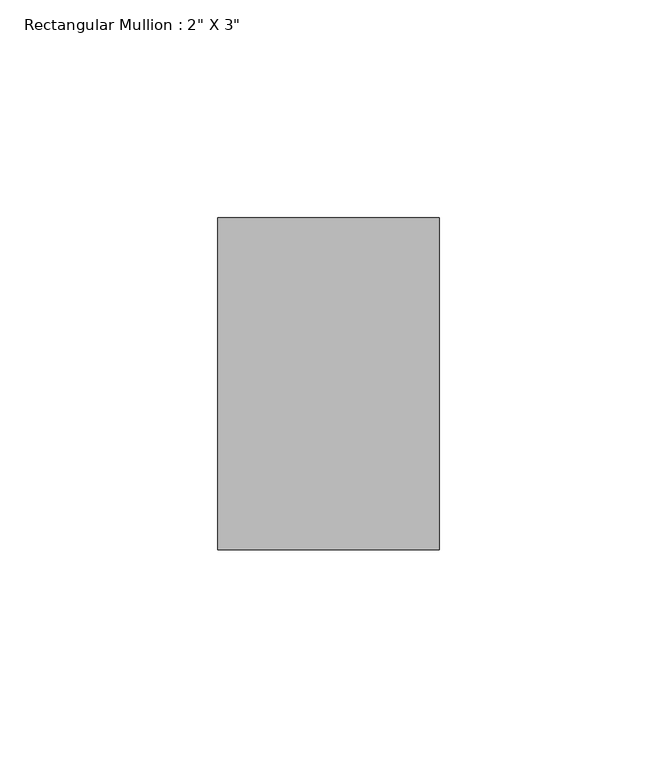
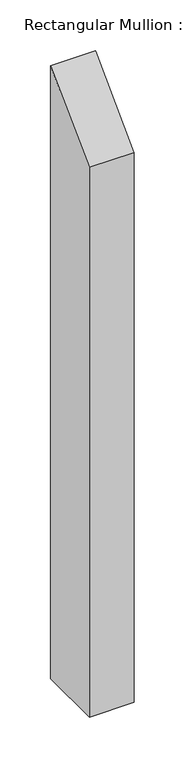
"""IFC4 building model written with IfcOpenShell, lengths in millimetres: member geometry."""

import ifcopenshell
import ifcopenshell.guid

model = None  # the IFC model being written
_history = None  # IfcOwnerHistory: only IFC2X3 demands one
_inside = {}  # id of a spatial element -> (the spatial element, [elements in it])
_under = {}  # id of a project, library or spatial element -> (it, [spatial elements below it])
_declared = {}  # id of a project -> (the project, [libraries it declares])
_typed = {}  # id of a type object -> (the type object, [elements of that type])
_made_of = {}  # id of a material, layer set ... -> (it, [elements and type objects made of it])


def new_model(schema):
    """Start an empty IFC model of exactly this schema.

    Asked for "IFC4X3", IfcOpenShell would pick the latest addendum, in which some entities
    have other attributes; the version numbers below select the first issue.
    IFC2X3 requires an IfcOwnerHistory on every rooted entity: one is made here for all.
    """
    global model, _history
    if schema == "IFC4X3":
        model = ifcopenshell.file(schema_version=(4, 3, 0, 0))
    else:
        model = ifcopenshell.file(schema=schema)
    _inside.clear()
    _under.clear()
    _declared.clear()
    _typed.clear()
    _made_of.clear()
    _history = None
    if model.schema == "IFC2X3":
        org = make("IfcOrganization", Name="unknown")
        user = make(
            "IfcPersonAndOrganization",
            ThePerson=make("IfcPerson", FamilyName="unknown"),
            TheOrganization=org,
        )
        app = make(
            "IfcApplication",
            ApplicationDeveloper=org,
            Version="unknown",
            ApplicationFullName="unknown",
            ApplicationIdentifier="unknown",
        )
        _history = make(
            "IfcOwnerHistory",
            OwningUser=user,
            OwningApplication=app,
            ChangeAction="ADDED",
            CreationDate=0,
        )
    return model


def make(cls, **values):
    """One entity of the class cls with the attributes given. An attribute that is None is left unset."""
    return model.create_entity(
        cls, **{name: value for name, value in values.items() if value is not None}
    )


def rooted(cls, **values):
    """An entity with a GlobalId (a new one), such as an element, a storey or a relation."""
    return make(cls, GlobalId=ifcopenshell.guid.new(), OwnerHistory=_history, **values)


def si_unit(unit_type, name, prefix=None):
    """IfcSIUnit, for example si_unit("LENGTHUNIT", "METRE", prefix="MILLI")."""
    return make("IfcSIUnit", UnitType=unit_type, Prefix=prefix, Name=name)


def assignment(units):
    """IfcUnitAssignment: the units of a project."""
    return None if units is None else make("IfcUnitAssignment", Units=units)


def point(xyz):
    """IfcCartesianPoint."""
    return None if xyz is None else make("IfcCartesianPoint", Coordinates=xyz)


def direction(xyz):
    """IfcDirection."""
    return None if xyz is None else make("IfcDirection", DirectionRatios=xyz)


def frame(location, z_axis=None, x_axis=None):
    """IfcAxis2Placement3D, a coordinate frame: its origin and axes. An axis left out is left unset."""
    return make(
        "IfcAxis2Placement3D",
        Location=point(location),
        Axis=direction(z_axis),
        RefDirection=direction(x_axis),
    )


def origin():
    """The frame at (0, 0, 0) with its axes left unset."""
    return frame((0.0, 0.0, 0.0))


def place(relative_to, where):
    """IfcLocalPlacement: puts the frame where relative to a parent placement (None: the world)."""
    return make(
        "IfcLocalPlacement", PlacementRelTo=relative_to, RelativePlacement=where
    )


def context(
    kind, dimensions, precision=None, world=None, true_north=None, identifier=None
):
    """IfcGeometricRepresentationContext, for example the 3D "Model" context."""
    return make(
        "IfcGeometricRepresentationContext",
        ContextIdentifier=identifier,
        ContextType=kind,
        CoordinateSpaceDimension=dimensions,
        Precision=precision,
        WorldCoordinateSystem=world,
        TrueNorth=true_north,
    )


def project(units=None, contexts=None):
    """IfcProject with its units and contexts."""
    return rooted(
        "IfcProject",
        Name="project",
        RepresentationContexts=contexts,
        UnitsInContext=assignment(units),
    )


def spatial(cls, under=None, at=None, **own):
    """A site, building, storey or space (cls), placed at a placement, below another one or the project."""
    s = rooted(cls, ObjectPlacement=at, **own)
    if under is not None:
        _under.setdefault(under.id(), (under, []))[1].append(s)
    return s


def polyline(points):
    """IfcPolyline through the points."""
    return make("IfcPolyline", Points=[point(p) for p in points])


def outline(outer, holes=None, kind="AREA"):
    """IfcArbitraryClosedProfileDef: a profile drawn as a closed curve; with holes, ...WithVoids."""
    if holes is None:
        return make("IfcArbitraryClosedProfileDef", ProfileType=kind, OuterCurve=outer)
    return make(
        "IfcArbitraryProfileDefWithVoids",
        ProfileType=kind,
        OuterCurve=outer,
        InnerCurves=holes,
    )


def extrude(swept, where, along, depth):
    """IfcExtrudedAreaSolid: the profile swept, set in the frame where, extruded along a direction by depth."""
    return make(
        "IfcExtrudedAreaSolid",
        SweptArea=swept,
        Position=where,
        ExtrudedDirection=direction(along),
        Depth=depth,
    )


def shape(context_of_items, identifier, shape_type, items):
    """IfcShapeRepresentation: the items that make up one representation, for example the "Body"."""
    return make(
        "IfcShapeRepresentation",
        ContextOfItems=context_of_items,
        RepresentationIdentifier=identifier,
        RepresentationType=shape_type,
        Items=items,
    )


def source(mapping_origin, context_of_items, identifier, shape_type, items):
    """IfcRepresentationMap: a shape defined once, which mapped items show again and again."""
    return make(
        "IfcRepresentationMap",
        MappingOrigin=mapping_origin,
        MappedRepresentation=shape(context_of_items, identifier, shape_type, items),
    )


def transform(
    local_origin,
    x_axis=None,
    y_axis=None,
    z_axis=None,
    scale=None,
    scale2=None,
    scale3=None,
    uniform=True,
):
    """IfcCartesianTransformationOperator3D, or its non-uniform kind. x_axis, y_axis, z_axis: its Axis1, 2, 3."""
    if uniform:
        return make(
            "IfcCartesianTransformationOperator3D",
            Axis1=direction(x_axis),
            Axis2=direction(y_axis),
            LocalOrigin=point(local_origin),
            Scale=scale,
            Axis3=direction(z_axis),
        )
    return make(
        "IfcCartesianTransformationOperator3DnonUniform",
        Axis1=direction(x_axis),
        Axis2=direction(y_axis),
        LocalOrigin=point(local_origin),
        Scale=scale,
        Axis3=direction(z_axis),
        Scale2=scale2,
        Scale3=scale3,
    )


def mapped(mapping_source, mapping_target):
    """IfcMappedItem: shows the shape of a source again, moved by a transform."""
    return make(
        "IfcMappedItem", MappingSource=mapping_source, MappingTarget=mapping_target
    )


def made_of(thing, what):
    """Note that an element or type object is made of a material, layer set ...; save() writes the relation."""
    if what is not None:
        _made_of.setdefault(what.id(), (what, []))[1].append(thing)
    return thing


def element(
    cls,
    number,
    at=None,
    inside=None,
    cuts=None,
    type_object=None,
    material=None,
    context=None,
    identifier="Body",
    shape_type=None,
    held_by="IfcProductDefinitionShape",
    body=None,
    shapes=None,
    **own,
):
    """One element of the class cls, such as IfcWall. Its Tag is "e" and its number.

    at: its placement. inside: the storey or other place that contains it. cuts: it is an
    opening in that element (IfcRelVoidsElement). A single representation is given by context,
    identifier, shape_type and body (its items); several are given by shapes. held_by: the class
    of the entity that holds the representations. save() writes the other relations.
    """
    e = rooted(cls, Tag="e%d" % number, ObjectPlacement=at, **own)
    if body is not None:
        shapes = [shape(context, identifier, shape_type, body)]
    if shapes is not None:
        e.Representation = make(held_by, Representations=shapes)
    if inside is not None:
        _inside.setdefault(inside.id(), (inside, []))[1].append(e)
    if cuts is not None:
        rooted(
            "IfcRelVoidsElement", RelatingBuildingElement=cuts, RelatedOpeningElement=e
        )
    if type_object is not None:
        _typed.setdefault(type_object.id(), (type_object, []))[1].append(e)
    return made_of(e, material)


def aggregate(whole, parts):
    """IfcRelAggregates: a whole, such as a stair, and the parts it consists of."""
    return rooted("IfcRelAggregates", RelatingObject=whole, RelatedObjects=parts)


def save(model, path):
    """Write the relations noted so far, then the file.

    IfcRelAggregates (storeys below a building ...), IfcRelContainedInSpatialStructure (elements
    in a storey), IfcRelDefinesByType, IfcRelAssociatesMaterial and IfcRelDeclares: one each for
    every whole, place, type object, material and project.
    """
    for whole, parts in _under.values():
        aggregate(whole, parts)
    for where, things in _inside.values():
        rooted(
            "IfcRelContainedInSpatialStructure",
            RelatedElements=things,
            RelatingStructure=where,
        )
    for kind, things in _typed.values():
        rooted("IfcRelDefinesByType", RelatedObjects=things, RelatingType=kind)
    for what, things in _made_of.values():
        rooted("IfcRelAssociatesMaterial", RelatedObjects=things, RelatingMaterial=what)
    for by, libraries in _declared.values():
        rooted("IfcRelDeclares", RelatingContext=by, RelatedDefinitions=libraries)
    model.write(path)


def member_cc951b0e(model_context):
    return source(origin(), model_context, "Body", "SweptSolid", [
        extrude(outline(polyline([(-12.7, -12.7), (63.5, 63.5), (63.5, -673.1), (-12.7, -673.1), (-12.7, -12.7)])), frame((-25.4, 0.0, 0.0), z_axis=(1.0, 0.0, 0.0), x_axis=(0.0, 1.0, 0.0)), (0.0, 0.0, 1.0), 50.8),
    ])


if __name__ == "__main__":
    model = new_model("IFC4")
    model_context = context("Model", 3, world=origin())
    ifc_project = project(units=[si_unit("LENGTHUNIT", "METRE", prefix="MILLI")], contexts=[model_context])
    site = spatial("IfcSite", under=ifc_project)
    building = spatial("IfcBuilding", under=site)
    placement = place(None, origin())
    member_shape = member_cc951b0e(model_context)
    element("IfcMember", 1, ObjectType="Rectangular Mullion : 2\" X 3\"", at=placement, inside=building, context=model_context, shape_type="MappedRepresentation", body=[
        mapped(member_shape, transform((0.0, 0.0, 0.0), x_axis=(1.0, 0.0, 0.0), y_axis=(0.0, 1.0, 0.0), z_axis=(0.0, 0.0, 1.0))),
    ])
    save(model, "model.ifc")
